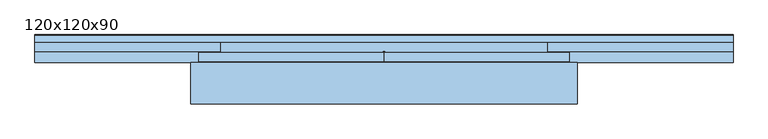
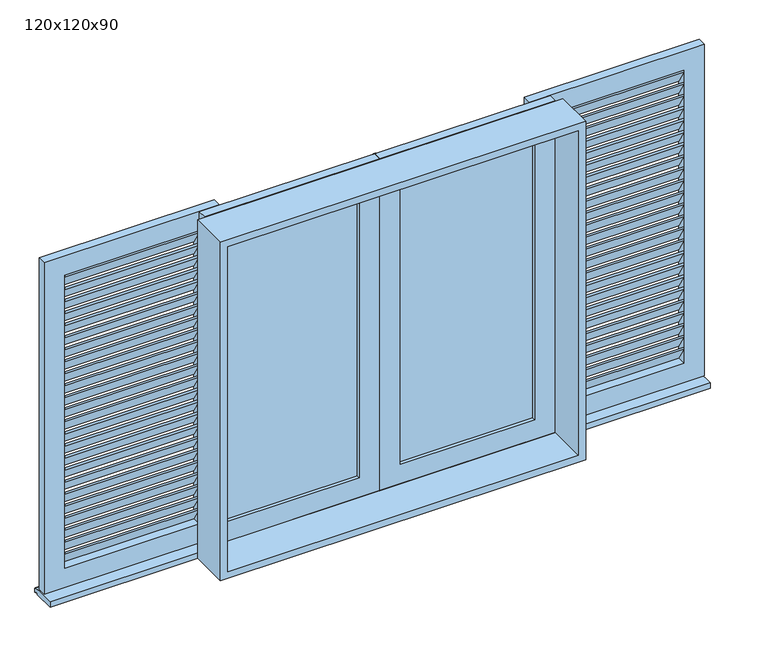
"""IFC4 building model written with IfcOpenShell, lengths in millimetres: window geometry, 120x120x90."""

from ifc_helpers import new_model, si_unit, point, frame, frame_2d, origin, place, context, project, spatial, polyline, circle_curve, trimmed, segment, composite_curve, outline, extrude, source, transform, mapped, element, save
from ifc_brep_helpers import plane_surface, cylinder_surface, revolved_surface, advanced_brep


def window_120x120x90_bc0e7eaa(model_context):
    return source(origin(), model_context, "Body", "SolidModel", [
        extrude(outline(polyline([(103.3273038, 1021.3496198), (103.3273038, 1013.5750173), (73.3273038, 1063.5750173), (73.3273038, 1071.3496198), (103.3273038, 1021.3496198)])), frame((-1060.0, 0.0, 0.0), z_axis=(1.0, 0.0, 0.0), x_axis=(0.0, 1.0, 0.0)), (0.0, 0.0, 1.0), 460.0),
        extrude(outline(polyline([(103.3273038, 1064.9246371), (103.3273038, 1057.1500346), (73.3273038, 1107.1500346), (73.3273038, 1114.9246371), (103.3273038, 1064.9246371)])), frame((-1060.0, 0.0, 0.0), z_axis=(1.0, 0.0, 0.0), x_axis=(0.0, 1.0, 0.0)), (0.0, 0.0, 1.0), 460.0),
        extrude(outline(polyline([(103.3273038, 1108.4996544), (103.3273038, 1100.7250518), (73.3273038, 1150.7250518), (73.3273038, 1158.4996544), (103.3273038, 1108.4996544)])), frame((-1060.0, 0.0, 0.0), z_axis=(1.0, 0.0, 0.0), x_axis=(0.0, 1.0, 0.0)), (0.0, 0.0, 1.0), 460.0),
        extrude(outline(polyline([(103.3273038, 1152.0746717), (103.3273038, 1144.3000691), (73.3273038, 1194.3000691), (73.3273038, 1202.0746717), (103.3273038, 1152.0746717)])), frame((-1060.0, 0.0, 0.0), z_axis=(1.0, 0.0, 0.0), x_axis=(0.0, 1.0, 0.0)), (0.0, 0.0, 1.0), 460.0),
        extrude(outline(polyline([(103.3273038, 1195.6496889), (103.3273038, 1187.8750864), (73.3273038, 1237.8750864), (73.3273038, 1245.6496889), (103.3273038, 1195.6496889)])), frame((-1060.0, 0.0, 0.0), z_axis=(1.0, 0.0, 0.0), x_axis=(0.0, 1.0, 0.0)), (0.0, 0.0, 1.0), 460.0),
        extrude(outline(polyline([(103.3273038, 1239.2247062), (103.3273038, 1231.4501037), (73.3273038, 1281.4501037), (73.3273038, 1289.2247062), (103.3273038, 1239.2247062)])), frame((-1060.0, 0.0, 0.0), z_axis=(1.0, 0.0, 0.0), x_axis=(0.0, 1.0, 0.0)), (0.0, 0.0, 1.0), 460.0),
        extrude(outline(polyline([(103.3273038, 1282.7997235), (103.3273038, 1275.025121), (73.3273038, 1325.025121), (73.3273038, 1332.7997235), (103.3273038, 1282.7997235)])), frame((-1060.0, 0.0, 0.0), z_axis=(1.0, 0.0, 0.0), x_axis=(0.0, 1.0, 0.0)), (0.0, 0.0, 1.0), 460.0),
        extrude(outline(polyline([(103.3273038, 1326.3747408), (103.3273038, 1318.6001383), (73.3273038, 1368.6001383), (73.3273038, 1376.3747408), (103.3273038, 1326.3747408)])), frame((-1060.0, 0.0, 0.0), z_axis=(1.0, 0.0, 0.0), x_axis=(0.0, 1.0, 0.0)), (0.0, 0.0, 1.0), 460.0),
        extrude(outline(polyline([(103.3273038, 1369.9497581), (103.3273038, 1362.1751555), (73.3273038, 1412.1751555), (73.3273038, 1419.9497581), (103.3273038, 1369.9497581)])), frame((-1060.0, 0.0, 0.0), z_axis=(1.0, 0.0, 0.0), x_axis=(0.0, 1.0, 0.0)), (0.0, 0.0, 1.0), 460.0),
        extrude(outline(polyline([(103.3273038, 1413.5247753), (103.3273038, 1405.7501728), (73.3273038, 1455.7501728), (73.3273038, 1463.5247753), (103.3273038, 1413.5247753)])), frame((-1060.0, 0.0, 0.0), z_axis=(1.0, 0.0, 0.0), x_axis=(0.0, 1.0, 0.0)), (0.0, 0.0, 1.0), 460.0),
        extrude(outline(polyline([(103.3273038, 1457.0997926), (103.3273038, 1449.3251901), (73.3273038, 1499.3251901), (73.3273038, 1507.0997926), (103.3273038, 1457.0997926)])), frame((-1060.0, 0.0, 0.0), z_axis=(1.0, 0.0, 0.0), x_axis=(0.0, 1.0, 0.0)), (0.0, 0.0, 1.0), 460.0),
        extrude(outline(polyline([(103.3273038, 1500.6748099), (103.3273038, 1492.9002074), (73.3273038, 1542.9002074), (73.3273038, 1550.6748099), (103.3273038, 1500.6748099)])), frame((-1060.0, 0.0, 0.0), z_axis=(1.0, 0.0, 0.0), x_axis=(0.0, 1.0, 0.0)), (0.0, 0.0, 1.0), 460.0),
        extrude(outline(polyline([(103.3273038, 1544.2498272), (103.3273038, 1536.4752247), (73.3273038, 1586.4752247), (73.3273038, 1594.2498272), (103.3273038, 1544.2498272)])), frame((-1060.0, 0.0, 0.0), z_axis=(1.0, 0.0, 0.0), x_axis=(0.0, 1.0, 0.0)), (0.0, 0.0, 1.0), 460.0),
        extrude(outline(polyline([(103.3273038, 1587.8248445), (103.3273038, 1580.0502419), (73.3273038, 1630.0502419), (73.3273038, 1637.8248445), (103.3273038, 1587.8248445)])), frame((-1060.0, 0.0, 0.0), z_axis=(1.0, 0.0, 0.0), x_axis=(0.0, 1.0, 0.0)), (0.0, 0.0, 1.0), 460.0),
        extrude(outline(polyline([(103.3273038, 1631.3998617), (103.3273038, 1623.6252592), (73.3273038, 1673.6252592), (73.3273038, 1681.3998617), (103.3273038, 1631.3998617)])), frame((-1060.0, 0.0, 0.0), z_axis=(1.0, 0.0, 0.0), x_axis=(0.0, 1.0, 0.0)), (0.0, 0.0, 1.0), 460.0),
        extrude(outline(polyline([(103.3273038, 1674.974879), (103.3273038, 1667.2002765), (73.3273038, 1717.2002765), (73.3273038, 1724.974879), (103.3273038, 1674.974879)])), frame((-1060.0, 0.0, 0.0), z_axis=(1.0, 0.0, 0.0), x_axis=(0.0, 1.0, 0.0)), (0.0, 0.0, 1.0), 460.0),
        extrude(outline(polyline([(103.3273038, 1718.5498963), (103.3273038, 1710.7752938), (73.3273038, 1760.7752938), (73.3273038, 1768.5498963), (103.3273038, 1718.5498963)])), frame((-1060.0, 0.0, 0.0), z_axis=(1.0, 0.0, 0.0), x_axis=(0.0, 1.0, 0.0)), (0.0, 0.0, 1.0), 460.0),
        extrude(outline(polyline([(103.3273038, 1762.1249136), (103.3273038, 1754.3503111), (73.3273038, 1804.3503111), (73.3273038, 1812.1249136), (103.3273038, 1762.1249136)])), frame((-1060.0, 0.0, 0.0), z_axis=(1.0, 0.0, 0.0), x_axis=(0.0, 1.0, 0.0)), (0.0, 0.0, 1.0), 460.0),
        extrude(outline(polyline([(103.3273038, 1805.6999309), (103.3273038, 1797.9253283), (73.3273038, 1847.9253283), (73.3273038, 1855.6999309), (103.3273038, 1805.6999309)])), frame((-1060.0, 0.0, 0.0), z_axis=(1.0, 0.0, 0.0), x_axis=(0.0, 1.0, 0.0)), (0.0, 0.0, 1.0), 460.0),
        extrude(outline(polyline([(103.3273038, 1849.2749482), (103.3273038, 1841.5003456), (73.3273038, 1891.5003456), (73.3273038, 1899.2749482), (103.3273038, 1849.2749482)])), frame((-1060.0, 0.0, 0.0), z_axis=(1.0, 0.0, 0.0), x_axis=(0.0, 1.0, 0.0)), (0.0, 0.0, 1.0), 460.0),
        extrude(outline(polyline([(103.3273038, 1892.8499654), (103.3273038, 1885.0753629), (73.3273038, 1935.0753629), (73.3273038, 1942.8499654), (103.3273038, 1892.8499654)])), frame((-1060.0, 0.0, 0.0), z_axis=(1.0, 0.0, 0.0), x_axis=(0.0, 1.0, 0.0)), (0.0, 0.0, 1.0), 460.0),
        extrude(outline(polyline([(103.3273038, 1936.4249827), (103.3273038, 1928.6503802), (73.3273038, 1978.6503802), (73.3273038, 1986.4249827), (103.3273038, 1936.4249827)])), frame((-1060.0, 0.0, 0.0), z_axis=(1.0, 0.0, 0.0), x_axis=(0.0, 1.0, 0.0)), (0.0, 0.0, 1.0), 460.0),
        extrude(outline(polyline([(103.3273038, 977.7746025), (103.3273038, 970.0), (73.3273038, 1020.0), (73.3273038, 1027.7746025), (103.3273038, 977.7746025)])), frame((-1060.0, 0.0, 0.0), z_axis=(1.0, 0.0, 0.0), x_axis=(0.0, 1.0, 0.0)), (0.0, 0.0, 1.0), 460.0),
        extrude(outline(polyline([(103.3273038, 1980.0), (103.3273038, 1972.2253975), (73.3273038, 2022.2253975), (73.3273038, 2030.0), (103.3273038, 1980.0)])), frame((-1060.0, 0.0, 0.0), z_axis=(1.0, 0.0, 0.0), x_axis=(0.0, 1.0, 0.0)), (0.0, 0.0, 1.0), 460.0),
        extrude(outline(polyline([(2100.0, -1130.0), (900.0, -1130.0), (900.0, -530.0), (2100.0, -530.0), (2100.0, -1130.0)]), holes=[polyline([(2030.0, -1060.0), (2030.0, -600.0), (970.0, -600.0), (970.0, -1060.0), (2030.0, -1060.0)])]), frame((0.0, 73.3273038, 0.0), z_axis=(0.0, 1.0, 0.0), x_axis=(0.0, 0.0, 1.0)), (0.0, 0.0, 1.0), 30.0),
        extrude(outline(polyline([(103.3273038, 1021.3496198), (103.3273038, 1013.5750173), (73.3273038, 1063.5750173), (73.3273038, 1071.3496198), (103.3273038, 1021.3496198)])), frame((600.0, 0.0, 0.0), z_axis=(1.0, 0.0, 0.0), x_axis=(0.0, 1.0, 0.0)), (0.0, 0.0, 1.0), 460.0),
        extrude(outline(polyline([(103.3273038, 1064.9246371), (103.3273038, 1057.1500346), (73.3273038, 1107.1500346), (73.3273038, 1114.9246371), (103.3273038, 1064.9246371)])), frame((600.0, 0.0, 0.0), z_axis=(1.0, 0.0, 0.0), x_axis=(0.0, 1.0, 0.0)), (0.0, 0.0, 1.0), 460.0),
        extrude(outline(polyline([(103.3273038, 1108.4996544), (103.3273038, 1100.7250518), (73.3273038, 1150.7250518), (73.3273038, 1158.4996544), (103.3273038, 1108.4996544)])), frame((600.0, 0.0, 0.0), z_axis=(1.0, 0.0, 0.0), x_axis=(0.0, 1.0, 0.0)), (0.0, 0.0, 1.0), 460.0),
        extrude(outline(polyline([(103.3273038, 1152.0746717), (103.3273038, 1144.3000691), (73.3273038, 1194.3000691), (73.3273038, 1202.0746717), (103.3273038, 1152.0746717)])), frame((600.0, 0.0, 0.0), z_axis=(1.0, 0.0, 0.0), x_axis=(0.0, 1.0, 0.0)), (0.0, 0.0, 1.0), 460.0),
        extrude(outline(polyline([(103.3273038, 1195.6496889), (103.3273038, 1187.8750864), (73.3273038, 1237.8750864), (73.3273038, 1245.6496889), (103.3273038, 1195.6496889)])), frame((600.0, 0.0, 0.0), z_axis=(1.0, 0.0, 0.0), x_axis=(0.0, 1.0, 0.0)), (0.0, 0.0, 1.0), 460.0),
        extrude(outline(polyline([(103.3273038, 1239.2247062), (103.3273038, 1231.4501037), (73.3273038, 1281.4501037), (73.3273038, 1289.2247062), (103.3273038, 1239.2247062)])), frame((600.0, 0.0, 0.0), z_axis=(1.0, 0.0, 0.0), x_axis=(0.0, 1.0, 0.0)), (0.0, 0.0, 1.0), 460.0),
        extrude(outline(polyline([(103.3273038, 1282.7997235), (103.3273038, 1275.025121), (73.3273038, 1325.025121), (73.3273038, 1332.7997235), (103.3273038, 1282.7997235)])), frame((600.0, 0.0, 0.0), z_axis=(1.0, 0.0, 0.0), x_axis=(0.0, 1.0, 0.0)), (0.0, 0.0, 1.0), 460.0),
        extrude(outline(polyline([(103.3273038, 1326.3747408), (103.3273038, 1318.6001383), (73.3273038, 1368.6001383), (73.3273038, 1376.3747408), (103.3273038, 1326.3747408)])), frame((600.0, 0.0, 0.0), z_axis=(1.0, 0.0, 0.0), x_axis=(0.0, 1.0, 0.0)), (0.0, 0.0, 1.0), 460.0),
        extrude(outline(polyline([(103.3273038, 1369.9497581), (103.3273038, 1362.1751555), (73.3273038, 1412.1751555), (73.3273038, 1419.9497581), (103.3273038, 1369.9497581)])), frame((600.0, 0.0, 0.0), z_axis=(1.0, 0.0, 0.0), x_axis=(0.0, 1.0, 0.0)), (0.0, 0.0, 1.0), 460.0),
        extrude(outline(polyline([(103.3273038, 1413.5247753), (103.3273038, 1405.7501728), (73.3273038, 1455.7501728), (73.3273038, 1463.5247753), (103.3273038, 1413.5247753)])), frame((600.0, 0.0, 0.0), z_axis=(1.0, 0.0, 0.0), x_axis=(0.0, 1.0, 0.0)), (0.0, 0.0, 1.0), 460.0),
        extrude(outline(polyline([(103.3273038, 1457.0997926), (103.3273038, 1449.3251901), (73.3273038, 1499.3251901), (73.3273038, 1507.0997926), (103.3273038, 1457.0997926)])), frame((600.0, 0.0, 0.0), z_axis=(1.0, 0.0, 0.0), x_axis=(0.0, 1.0, 0.0)), (0.0, 0.0, 1.0), 460.0),
        extrude(outline(polyline([(103.3273038, 1500.6748099), (103.3273038, 1492.9002074), (73.3273038, 1542.9002074), (73.3273038, 1550.6748099), (103.3273038, 1500.6748099)])), frame((600.0, 0.0, 0.0), z_axis=(1.0, 0.0, 0.0), x_axis=(0.0, 1.0, 0.0)), (0.0, 0.0, 1.0), 460.0),
        extrude(outline(polyline([(103.3273038, 1544.2498272), (103.3273038, 1536.4752247), (73.3273038, 1586.4752247), (73.3273038, 1594.2498272), (103.3273038, 1544.2498272)])), frame((600.0, 0.0, 0.0), z_axis=(1.0, 0.0, 0.0), x_axis=(0.0, 1.0, 0.0)), (0.0, 0.0, 1.0), 460.0),
        extrude(outline(polyline([(103.3273038, 1587.8248445), (103.3273038, 1580.0502419), (73.3273038, 1630.0502419), (73.3273038, 1637.8248445), (103.3273038, 1587.8248445)])), frame((600.0, 0.0, 0.0), z_axis=(1.0, 0.0, 0.0), x_axis=(0.0, 1.0, 0.0)), (0.0, 0.0, 1.0), 460.0),
        extrude(outline(polyline([(103.3273038, 1631.3998617), (103.3273038, 1623.6252592), (73.3273038, 1673.6252592), (73.3273038, 1681.3998617), (103.3273038, 1631.3998617)])), frame((600.0, 0.0, 0.0), z_axis=(1.0, 0.0, 0.0), x_axis=(0.0, 1.0, 0.0)), (0.0, 0.0, 1.0), 460.0),
        extrude(outline(polyline([(103.3273038, 1674.974879), (103.3273038, 1667.2002765), (73.3273038, 1717.2002765), (73.3273038, 1724.974879), (103.3273038, 1674.974879)])), frame((600.0, 0.0, 0.0), z_axis=(1.0, 0.0, 0.0), x_axis=(0.0, 1.0, 0.0)), (0.0, 0.0, 1.0), 460.0),
        extrude(outline(polyline([(103.3273038, 1718.5498963), (103.3273038, 1710.7752938), (73.3273038, 1760.7752938), (73.3273038, 1768.5498963), (103.3273038, 1718.5498963)])), frame((600.0, 0.0, 0.0), z_axis=(1.0, 0.0, 0.0), x_axis=(0.0, 1.0, 0.0)), (0.0, 0.0, 1.0), 460.0),
        extrude(outline(polyline([(103.3273038, 1762.1249136), (103.3273038, 1754.3503111), (73.3273038, 1804.3503111), (73.3273038, 1812.1249136), (103.3273038, 1762.1249136)])), frame((600.0, 0.0, 0.0), z_axis=(1.0, 0.0, 0.0), x_axis=(0.0, 1.0, 0.0)), (0.0, 0.0, 1.0), 460.0),
        extrude(outline(polyline([(103.3273038, 1805.6999309), (103.3273038, 1797.9253283), (73.3273038, 1847.9253283), (73.3273038, 1855.6999309), (103.3273038, 1805.6999309)])), frame((600.0, 0.0, 0.0), z_axis=(1.0, 0.0, 0.0), x_axis=(0.0, 1.0, 0.0)), (0.0, 0.0, 1.0), 460.0),
        extrude(outline(polyline([(103.3273038, 1849.2749482), (103.3273038, 1841.5003456), (73.3273038, 1891.5003456), (73.3273038, 1899.2749482), (103.3273038, 1849.2749482)])), frame((600.0, 0.0, 0.0), z_axis=(1.0, 0.0, 0.0), x_axis=(0.0, 1.0, 0.0)), (0.0, 0.0, 1.0), 460.0),
        extrude(outline(polyline([(103.3273038, 1892.8499654), (103.3273038, 1885.0753629), (73.3273038, 1935.0753629), (73.3273038, 1942.8499654), (103.3273038, 1892.8499654)])), frame((600.0, 0.0, 0.0), z_axis=(1.0, 0.0, 0.0), x_axis=(0.0, 1.0, 0.0)), (0.0, 0.0, 1.0), 460.0),
        extrude(outline(polyline([(103.3273038, 1936.4249827), (103.3273038, 1928.6503802), (73.3273038, 1978.6503802), (73.3273038, 1986.4249827), (103.3273038, 1936.4249827)])), frame((600.0, 0.0, 0.0), z_axis=(1.0, 0.0, 0.0), x_axis=(0.0, 1.0, 0.0)), (0.0, 0.0, 1.0), 460.0),
        extrude(outline(polyline([(103.3273038, 977.7746025), (103.3273038, 970.0), (73.3273038, 1020.0), (73.3273038, 1027.7746025), (103.3273038, 977.7746025)])), frame((600.0, 0.0, 0.0), z_axis=(1.0, 0.0, 0.0), x_axis=(0.0, 1.0, 0.0)), (0.0, 0.0, 1.0), 460.0),
        extrude(outline(polyline([(103.3273038, 1980.0), (103.3273038, 1972.2253975), (73.3273038, 2022.2253975), (73.3273038, 2030.0), (103.3273038, 1980.0)])), frame((600.0, 0.0, 0.0), z_axis=(1.0, 0.0, 0.0), x_axis=(0.0, 1.0, 0.0)), (0.0, 0.0, 1.0), 460.0),
        extrude(outline(polyline([(2100.0, 1130.0), (2100.0, 530.0), (900.0, 530.0), (900.0, 1130.0), (2100.0, 1130.0)]), holes=[polyline([(2030.0, 1060.0), (970.0, 1060.0), (970.0, 600.0), (2030.0, 600.0), (2030.0, 1060.0)])]), frame((0.0, 73.3273038, 0.0), z_axis=(0.0, 1.0, 0.0), x_axis=(0.0, 0.0, 1.0)), (0.0, 0.0, 1.0), 30.0),
        extrude(outline(polyline([(2100.0, 0.0), (900.0, 0.0), (900.0, 600.0), (2100.0, 600.0), (2100.0, 0.0)]), holes=[polyline([(2030.0, 70.0), (2030.0, 530.0), (970.0, 530.0), (970.0, 70.0), (2030.0, 70.0)])]), frame((0.0, 40.8273038, 0.0), z_axis=(0.0, 1.0, 0.0), x_axis=(0.0, 0.0, 1.0)), (0.0, 0.0, 1.0), 30.0),
        extrude(outline(polyline([(70.0, 52.8273038), (70.0, 58.8273038), (530.0, 58.8273038), (530.0, 52.8273038), (70.0, 52.8273038)])), frame((0.0, 0.0, 970.0), z_axis=(0.0, 0.0, 1.0), x_axis=(1.0, 0.0, 0.0)), (0.0, 0.0, 1.0), 1060.0),
        extrude(outline(polyline([(2100.0, 0.0), (2100.0, -600.0), (900.0, -600.0), (900.0, 0.0), (2100.0, 0.0)]), holes=[polyline([(2030.0, -70.0), (970.0, -70.0), (970.0, -530.0), (2030.0, -530.0), (2030.0, -70.0)])]), frame((0.0, 40.8273038, 0.0), z_axis=(0.0, 1.0, 0.0), x_axis=(0.0, 0.0, 1.0)), (0.0, 0.0, 1.0), 30.0),
        extrude(outline(polyline([(-70.0, 52.8273038), (-530.0, 52.8273038), (-530.0, 58.8273038), (-70.0, 58.8273038), (-70.0, 52.8273038)])), frame((0.0, 0.0, 970.0), z_axis=(0.0, 0.0, 1.0), x_axis=(1.0, 0.0, 0.0)), (0.0, 0.0, 1.0), 1060.0),
        advanced_brep(
        [(625.0, -96.6726962, 2100.0), (-625.0, -96.6726962, 2100.0), (-625.0, -96.6726962, 875.0), (625.0, -96.6726962, 875.0), (600.0, -96.6726962, 2075.0), (600.0, -96.6726962, 900.0), (-600.0, -96.6726962, 900.0), (-600.0, -96.6726962, 2075.0), (-625.0, 38.3273038, 2100.0), (-625.0, 38.3273038, 895.0), (-625.0, 38.3273038, 875.0), (-1130.0, 38.3273038, 875.0), (-1130.0, 113.3273038, 875.0), (1130.0, 113.3273038, 875.0), (1130.0, 38.3273038, 875.0), (625.0, 38.3273038, 875.0), (625.0, 38.3273038, 895.0), (625.0, 38.3273038, 2100.0), (600.0, 38.3273038, 2075.0), (600.0, 38.3273038, 900.0), (-600.0, 38.3273038, 900.0), (-600.0, 38.3273038, 2075.0), (-1130.0, 103.3273038, 895.0), (-1130.0, 38.3273038, 895.0), (1130.0, 38.3273038, 895.0), (1130.0, 103.3273038, 895.0), (-1130.0, 125.8482484, 891.0289498), (-1130.0, 128.3273038, 888.0745266), (-1130.0, 128.3273038, 875.0), (-1130.0, 123.3273038, 875.0), (1130.0, 123.3273038, 875.0), (1130.0, 128.3273038, 875.0), (1130.0, 128.3273038, 888.0745266), (1130.0, 125.8482484, 891.0289498)],
        [
            (0, 1),
            (1, 2),
            (2, 3),
            (3, 0),
            (4, 5),
            (5, 6),
            (6, 7),
            (7, 4),
            (1, 8),
            (8, 9),
            (9, 10),
            (10, 2),
            (10, 11),
            (11, 12),
            (12, 13),
            (13, 14),
            (14, 15),
            (15, 3),
            (15, 16),
            (16, 17),
            (17, 0),
            (4, 18),
            (18, 19),
            (19, 5),
            (19, 20),
            (20, 6),
            (20, 21),
            (21, 7),
            (8, 17),
            (16, 9),
            (18, 21),
            (22, 23),
            (23, 9),
            (16, 24),
            (24, 25),
            (25, 22),
            (23, 11),
            (14, 24),
            (22, 26),
            (26, 27, circle_curve(frame((-1130.0, 125.3273038, 888.0745266), z_axis=(-1.0, 0.0, 0.0), x_axis=(0.0, -1.0, 0.0)), 3.0)),
            (27, 28),
            (28, 29),
            (29, 12, circle_curve(frame((-1130.0, 118.3273038, 875.0), z_axis=(1.0, 0.0, 0.0), x_axis=(0.0, -1.0, 0.0)), 5.0)),
            (29, 30),
            (30, 13, circle_curve(frame((1130.0, 118.3273038, 875.0), z_axis=(1.0, 0.0, 0.0), x_axis=(0.0, -1.0, 0.0)), 5.0)),
            (30, 31),
            (31, 32),
            (32, 33, circle_curve(frame((1130.0, 125.3273038, 888.0745266), z_axis=(1.0, 0.0, 0.0), x_axis=(0.0, -1.0, 0.0)), 3.0)),
            (33, 25),
            (33, 26),
            (32, 27),
            (31, 28),
        ],
        [
            plane_surface(frame((-625.0, -96.6726962, 2100.0), z_axis=(0.0, -1.0, 0.0), x_axis=(-1.0, 0.0, 0.0))),
            plane_surface(frame((-625.0, -96.6726962, 2100.0), z_axis=(-1.0, 0.0, 0.0), x_axis=(0.0, 1.0, 0.0))),
            plane_surface(frame((-625.0, -96.6726962, 875.0), z_axis=(0.0, 0.0, -1.0), x_axis=(0.0, 1.0, 0.0))),
            plane_surface(frame((625.0, -96.6726962, 875.0), z_axis=(1.0, 0.0, 0.0), x_axis=(0.0, 1.0, 0.0))),
            plane_surface(frame((600.0, -96.6726962, 2075.0), z_axis=(-1.0, 0.0, 0.0), x_axis=(0.0, 1.0, 0.0))),
            plane_surface(frame((600.0, -96.6726962, 900.0), z_axis=(0.0, 0.0, 1.0), x_axis=(0.0, 1.0, 0.0))),
            plane_surface(frame((-600.0, -96.6726962, 900.0), z_axis=(1.0, 0.0, 0.0), x_axis=(0.0, 1.0, 0.0))),
            plane_surface(frame((-625.0, 38.3273038, 2100.0), z_axis=(0.0, 1.0, 0.0), x_axis=(1.0, 0.0, 0.0))),
            plane_surface(frame((-1130.0, 38.3273038, 895.0), z_axis=(0.0, 0.0, 1.0), x_axis=(1.0, 0.0, 0.0))),
            plane_surface(frame((-1130.0, 38.3273038, 875.0), z_axis=(0.0, -1.0, 0.0), x_axis=(1.0, 0.0, 0.0))),
            plane_surface(frame((-1130.0, 38.3273038, 895.0), z_axis=(-1.0, 0.0, 0.0), x_axis=(0.0, 1.0, 0.0))),
            revolved_surface(polyline([(1130.0, 113.3273038, 875.0), (-1130.0, 113.3273038, 875.0)]), (1130.0, 118.3273038, 875.0), (1.0, 0.0, 0.0)),
            plane_surface(frame((1130.0, 38.3273038, 895.0), z_axis=(1.0, 0.0, 0.0), x_axis=(0.0, -1.0, 0.0))),
            plane_surface(frame((-1130.0, 103.3273038, 895.0), z_axis=(0.0, 0.17364817766652793, 0.9848077530122791), x_axis=(1.0, 0.0, 0.0))),
            cylinder_surface(frame((1130.0, 125.3273038, 888.0745266), z_axis=(-1.0, 0.0, 0.0), x_axis=(0.0, -1.0, 0.0)), 3.0),
            plane_surface(frame((-1130.0, 128.3273038, 888.0745266), z_axis=(0.0, 1.0, 0.0), x_axis=(1.0, 0.0, 0.0))),
            plane_surface(frame((-1130.0, 128.3273038, 875.0), z_axis=(0.0, 0.0, -1.0), x_axis=(1.0, 0.0, 0.0))),
            plane_surface(frame((625.0, -96.6726962, 2100.0), z_axis=(0.0, 0.0, 1.0), x_axis=(0.0, 1.0, 0.0))),
            plane_surface(frame((-600.0, -96.6726962, 2075.0), z_axis=(0.0, 0.0, -1.0), x_axis=(0.0, 1.0, 0.0))),
        ],
        [
            (0, [[1, 2, 3, 4], [5, 6, 7, 8]]),
            (1, [[-2, 9, 10, 11, 12]]),
            (2, [[-3, -12, 13, 14, 15, 16, 17, 18]]),
            (3, [[-4, -18, 19, 20, 21]]),
            (4, [[-5, 22, 23, 24]]),
            (5, [[-6, -24, 25, 26]]),
            (6, [[-7, -26, 27, 28]]),
            (7, [[29, -20, 30, -10], [31, -27, -25, -23]]),
            (8, [[32, 33, -30, 34, 35, 36]]),
            (9, [[37, -13, -11, -33]]),
            (9, [[38, -34, -19, -17]]),
            (10, [[-32, 39, 40, 41, 42, 43, -14, -37]]),
            (11, [[-43, 44, 45, -15]]),
            (12, [[-38, -16, -45, 46, 47, 48, 49, -35]]),
            (13, [[-39, -36, -49, 50]]),
            (14, [[-40, -50, -48, 51]]),
            (15, [[-41, -51, -47, 52]]),
            (16, [[-42, -52, -46, -44]]),
            (17, [[-1, -21, -29, -9]]),
            (18, [[-8, -28, -31, -22]]),
        ],
    ),
        extrude(outline(composite_curve([segment(polyline([(4.4696899, 70.8273038), (-4.4696899, 70.8273038)]), True, "CONTINUOUS"), segment(trimmed(circle_curve(frame_2d((-2.2348449, 70.8273038)), 2.2348449), [point((-4.4696899, 70.8273038))], [point((-2.2348449, 73.0621488))], False, "CARTESIAN"), True, "CONTINUOUS"), segment(polyline([(-2.2348449, 73.0621488), (2.2348449, 73.0621488)]), True, "CONTINUOUS"), segment(trimmed(circle_curve(frame_2d((2.2348449, 70.8273038)), 2.2348449), [point((2.2348449, 73.0621488))], [point((4.4696899, 70.8273038))], False, "CARTESIAN"), True, "CONTINUOUS")], self_intersect=False)), frame((0.0, 0.0, 900.0), z_axis=(0.0, 0.0, 1.0), x_axis=(1.0, 0.0, 0.0)), (0.0, 0.0, 1.0), 1200.0),
    ])


if __name__ == "__main__":
    model = new_model("IFC4")
    model_context = context("Model", 3, world=origin())
    ifc_project = project(units=[si_unit("LENGTHUNIT", "METRE", prefix="MILLI")], contexts=[model_context])
    site = spatial("IfcSite", under=ifc_project)
    building = spatial("IfcBuilding", under=site)
    placement = place(None, origin())
    window_120x120x90_shape = window_120x120x90_bc0e7eaa(model_context)
    element("IfcWindow", 1, ObjectType="120x120x90", at=placement, inside=building, context=model_context, shape_type="MappedRepresentation", body=[
        mapped(window_120x120x90_shape, transform((0.0, 0.0, 0.0), x_axis=(1.0, 0.0, 0.0), y_axis=(0.0, 1.0, 0.0), z_axis=(0.0, 0.0, 1.0))),
    ])
    save(model, "model.ifc")
